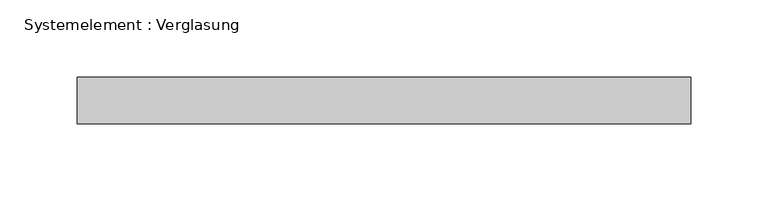
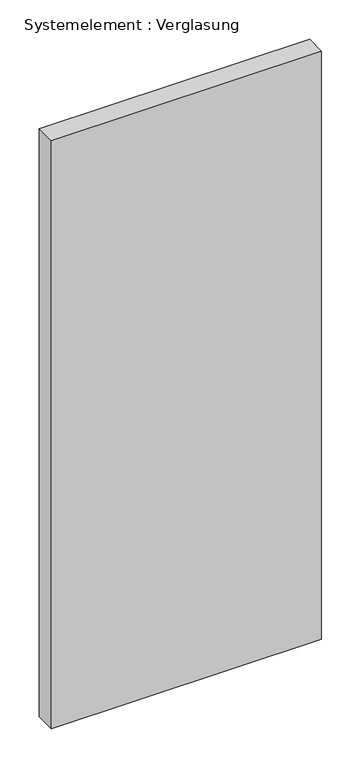
"""IFC4 building model written with IfcOpenShell, lengths in millimetres: plate geometry, Systemelement : Verglasung."""

from ifc_helpers import new_model, si_unit, origin, origin_with_axes, place, context, project, spatial, polyline, outline, extrude, source, transform, mapped, element, save


def systemelement_verglasung_c5e7f520(model_context):
    return source(origin(), model_context, "Body", "SweptSolid", [
        extrude(outline(polyline([(197.8125, -15.0), (-197.8125, -15.0), (-197.8125, 15.0), (197.8125, 15.0), (197.8125, -15.0)])), origin_with_axes(), (0.0, 0.0, 1.0), 910.0),
    ])


if __name__ == "__main__":
    model = new_model("IFC4")
    model_context = context("Model", 3, world=origin())
    ifc_project = project(units=[si_unit("LENGTHUNIT", "METRE", prefix="MILLI")], contexts=[model_context])
    site = spatial("IfcSite", under=ifc_project)
    building = spatial("IfcBuilding", under=site)
    placement = place(None, origin())
    systemelement_verglasung_shape = systemelement_verglasung_c5e7f520(model_context)
    element("IfcPlate", 1, ObjectType="Systemelement : Verglasung", at=placement, inside=building, context=model_context, shape_type="MappedRepresentation", body=[
        mapped(systemelement_verglasung_shape, transform((0.0, 0.0, 0.0), x_axis=(1.0, 0.0, 0.0), y_axis=(0.0, 1.0, 0.0), z_axis=(0.0, 0.0, 1.0))),
    ])
    save(model, "model.ifc")
